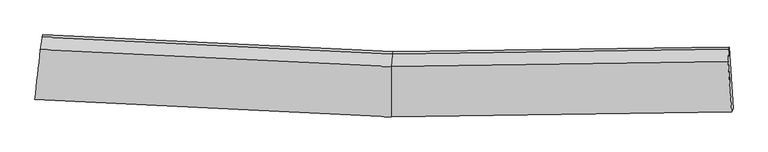
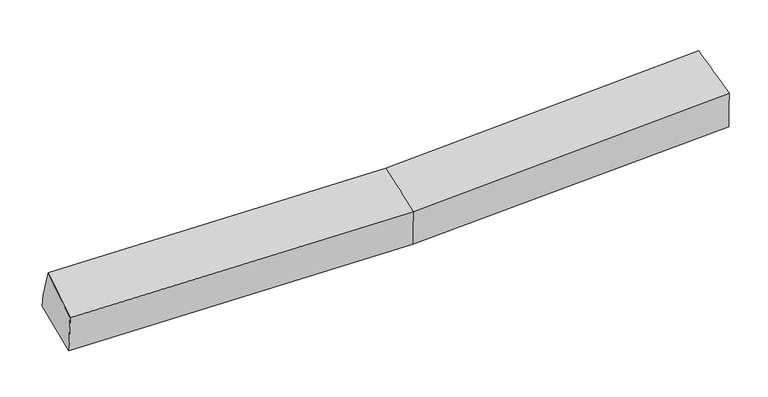
"""IFC4 building model written with IfcOpenShell, lengths in millimetres: proxy geometry."""

from ifc_helpers import new_model, si_unit, frame, origin, place, context, project, spatial, source, transform, mapped, element, save
from ifc_brep_helpers import plane_surface, spline_surface, advanced_brep


def generic_models_48edb7a0(model_context):
    return source(origin(), model_context, "Body", "AdvancedBrep", [
        advanced_brep(
        [(-3818.0058354, -1877.8889395, 2074.2844703), (-3809.3935892, -1842.0463411, 1648.666143), (51.6984175, -2028.8810804, 1708.6961533), (39.5005922, -2064.5067167, 2134.2450344), (-3733.925191, -1175.2870705, 1758.8323625), (52.9528404, -1357.6311509, 1817.4249834), (-3738.5298744, -1200.8513862, 1916.7097283), (48.348157, -1383.1954665, 1975.3023493), (-3758.0033706, -1337.3136343, 2275.724396), (37.3659038, -1520.1715165, 2334.4814769), (3688.7825745, -1332.3611238, 2079.576912), (3681.8465926, -1467.4821928, 2459.4433185), (3720.053776, -2010.9191521, 2260.4044216), (3734.7648272, -1972.8450288, 1820.1236409), (3693.2433616, -1307.595693, 1926.6332138)],
        [
            (0, 1),
            (1, 2),
            (2, 3),
            (3, 0),
            (1, 4),
            (4, 5),
            (5, 1),
            (4, 6),
            (6, 7),
            (7, 5),
            (6, 8),
            (8, 9),
            (9, 7),
            (8, 0),
            (3, 9),
            (10, 11),
            (11, 12),
            (12, 13),
            (13, 14),
            (14, 10),
            (5, 2),
            (9, 11),
            (10, 7),
            (3, 12),
            (2, 13),
            (5, 14),
        ],
        [
            spline_surface(1, 1, [[(-3818.0058354, -1877.8889395, 2074.2844703), (39.5005922, -2064.5067167, 2134.2450344)], [(-3809.3935892, -1842.0463411, 1648.666143), (51.6984175, -2028.8810804, 1708.6961533)]], [2, 2], [2, 2], [0.0, 1.0], [0.0, 1.0]),
            plane_surface(frame((-3771.6593901, -1508.6667058, 1703.7492527), z_axis=(0.022993356907407773, 0.16043918808004198, -0.9867778739241904), x_axis=(0.11098293856828136, 0.9805283391432515, 0.16200914629651555))),
            plane_surface(frame((-3736.2275327, -1188.0692283, 1837.7710454), z_axis=(0.044983865890106924, 0.9859353011694285, 0.1609597270050157), x_axis=(-0.028779271534376896, -0.15977697280881048, 0.9867335367210356))),
            spline_surface(1, 1, [[(-3738.5298744, -1200.8513862, 1916.7097283), (48.348157, -1383.1954665, 1975.3023493)], [(-3758.0033706, -1337.3136343, 2275.724396), (37.3659038, -1520.1715165, 2334.4814769)]], [2, 2], [2, 2], [0.0, 1.0], [0.0, 1.0]),
            spline_surface(1, 1, [[(-3758.0033706, -1337.3136343, 2275.724396), (37.3659038, -1520.1715165, 2334.4814769)], [(-3818.0058354, -1877.8889395, 2074.2844703), (39.5005922, -2064.5067167, 2134.2450344)]], [2, 2], [2, 2], [0.0, 1.0], [0.0, 1.0]),
            plane_surface(frame((3703.7382264, -1618.2406381, 2109.2363014), z_axis=(0.9976912696935099, 0.0561560810072453, 0.0381919486706247), x_axis=(-0.01720053445903909, -0.3350866010448028, 0.9420303134265715))),
            plane_surface(frame((-3771.5715721, -1486.6774743, 1934.84342), z_axis=(-0.9934055269006241, 0.11417309270147492, -0.010486373361365708), x_axis=(0.10345252550840882, 0.9320263881778484, 0.34731021681788554))),
            plane_surface(frame((-3809.3935892, -1842.0463411, 1648.666143), z_axis=(0.023076512063653836, 0.15981100795783276, -0.9868778629224984), x_axis=(0.0018447396224964862, 0.9871322493337705, 0.15989533845918028))),
            spline_surface(1, 1, [[(48.348157, -1383.1954665, 1975.3023493), (3688.7825745, -1332.3611238, 2079.576912)], [(37.3659038, -1520.1715165, 2334.4814769), (3681.8465926, -1467.4821928, 2459.4433185)]], [2, 2], [2, 2], [0.0, 1.0], [0.0, 1.0]),
            spline_surface(1, 1, [[(37.3659038, -1520.1715165, 2334.4814769), (3681.8465926, -1467.4821928, 2459.4433185)], [(39.5005922, -2064.5067167, 2134.2450344), (3720.053776, -2010.9191521, 2260.4044216)]], [2, 2], [2, 2], [0.0, 1.0], [0.0, 1.0]),
            spline_surface(1, 1, [[(39.5005922, -2064.5067167, 2134.2450344), (3720.053776, -2010.9191521, 2260.4044216)], [(51.6984175, -2028.8810804, 1708.6961533), (3734.7648272, -1972.8450288, 1820.1236409)]], [2, 2], [2, 2], [0.0, 1.0], [0.0, 1.0]),
            spline_surface(1, 1, [[(51.6984175, -2028.8810804, 1708.6961533), (3734.7648272, -1972.8450288, 1820.1236409)], [(52.9528404, -1357.6311509, 1817.4249834), (3693.2433616, -1307.595693, 1926.6332138)]], [2, 2], [2, 2], [0.0, 1.0], [0.0, 1.0]),
            plane_surface(frame((50.6504987, -1370.4133087, 1896.3636664), z_axis=(-0.01834588091214506, 0.9870605755289639, 0.15929484891228554), x_axis=(-0.02877927153426711, -0.15977697280883899, 0.9867335367210341))),
        ],
        [
            (0, [[1, 2, 3, 4]]),
            (1, [[5, 6, 7]]),
            (2, [[8, 9, 10, -6]]),
            (3, [[11, 12, 13, -9]]),
            (4, [[14, -4, 15, -12]]),
            (5, [[16, 17, 18, 19, 20]]),
            (6, [[-14, -11, -8, -5, -1]]),
            (7, [[21, -2, -7]]),
            (8, [[-13, 22, -16, 23]]),
            (9, [[-15, 24, -17, -22]]),
            (10, [[-3, 25, -18, -24]]),
            (11, [[-21, 26, -19, -25]]),
            (12, [[-10, -23, -20, -26]]),
        ],
    ),
    ])


if __name__ == "__main__":
    model = new_model("IFC4")
    model_context = context("Model", 3, world=origin())
    ifc_project = project(units=[si_unit("LENGTHUNIT", "METRE", prefix="MILLI")], contexts=[model_context])
    site = spatial("IfcSite", under=ifc_project)
    building = spatial("IfcBuilding", under=site)
    placement = place(None, origin())
    generic_models_shape = generic_models_48edb7a0(model_context)
    element("IfcBuildingElementProxy", 1, Name="Generic Models", at=placement, inside=building, context=model_context, shape_type="MappedRepresentation", body=[
        mapped(generic_models_shape, transform((0.0, 0.0, 0.0), x_axis=(1.0, 0.0, 0.0), y_axis=(0.0, 1.0, 0.0), z_axis=(0.0, 0.0, 1.0))),
    ])
    save(model, "model.ifc")
